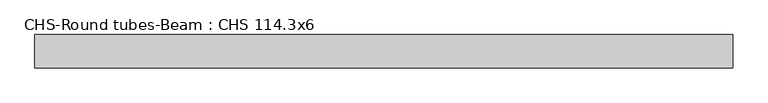
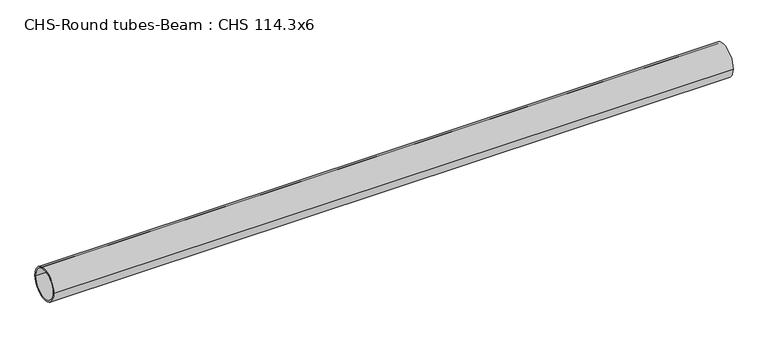
"""IFC4 building model written with IfcOpenShell, lengths in millimetres: beam geometry, CHS-Round tubes-Beam : CHS 114.3x6."""

from ifc_helpers import new_model, si_unit, point, frame, origin, origin_2d, place, context, project, spatial, circle_curve, trimmed, segment, composite_curve, outline, extrude, source, transform, mapped, element, save


def chs_round_tubes_beam_chs_114_3x6_a8c7d317(model_context):
    return source(origin(), model_context, "Body", "SweptSolid", [
        extrude(outline(composite_curve([segment(trimmed(circle_curve(origin_2d(), 57.15), [point((57.15, 0.0))], [point((-57.15, 0.0))], False, "CARTESIAN"), True, "CONTINUOUS"), segment(trimmed(circle_curve(origin_2d(), 57.15), [point((-57.15, 0.0))], [point((57.15, 0.0))], False, "CARTESIAN"), True, "CONTINUOUS")], self_intersect=False), holes=[composite_curve([segment(trimmed(circle_curve(origin_2d(), 51.15), [point((51.15, 0.0))], [point((-51.15, 0.0))], True, "CARTESIAN"), True, "CONTINUOUS"), segment(trimmed(circle_curve(origin_2d(), 51.15), [point((-51.15, 0.0))], [point((51.15, 0.0))], True, "CARTESIAN"), True, "CONTINUOUS")], self_intersect=False)]), frame((-1142.1680258, 0.0, 0.0), z_axis=(1.0, 0.0, 0.0), x_axis=(0.0, 1.0, 0.0)), (0.0, 0.0, 1.0), 2383.0982922),
    ])


if __name__ == "__main__":
    model = new_model("IFC4")
    model_context = context("Model", 3, world=origin())
    ifc_project = project(units=[si_unit("LENGTHUNIT", "METRE", prefix="MILLI")], contexts=[model_context])
    site = spatial("IfcSite", under=ifc_project)
    building = spatial("IfcBuilding", under=site)
    placement = place(None, origin())
    chs_round_tubes_beam_chs_114_3x6_shape = chs_round_tubes_beam_chs_114_3x6_a8c7d317(model_context)
    element("IfcBeam", 1, ObjectType="CHS-Round tubes-Beam : CHS 114.3x6", at=placement, inside=building, context=model_context, shape_type="MappedRepresentation", body=[
        mapped(chs_round_tubes_beam_chs_114_3x6_shape, transform((0.0, 0.0, 0.0), x_axis=(1.0, 0.0, 0.0), y_axis=(0.0, 1.0, 0.0), z_axis=(0.0, 0.0, 1.0))),
    ])
    save(model, "model.ifc")
